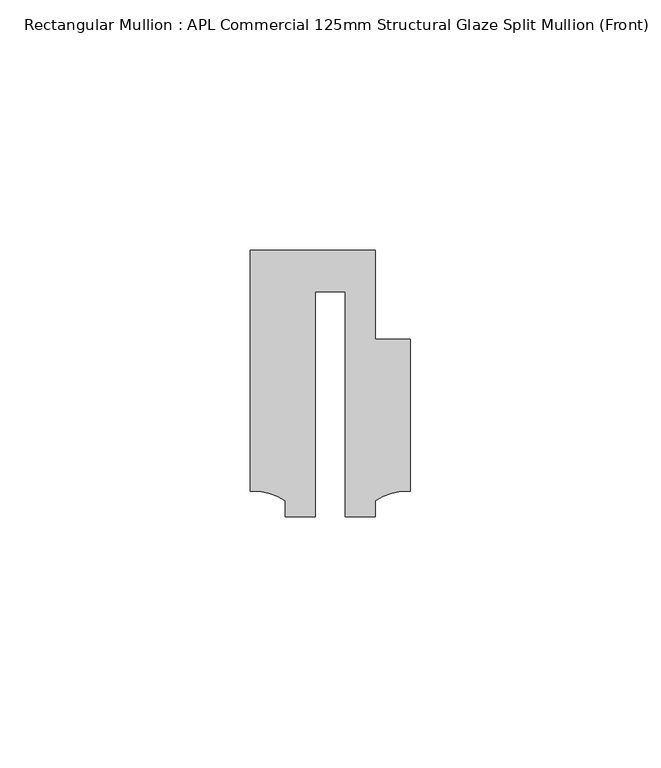
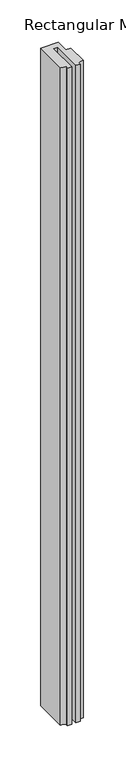
"""IFC4 building model written with IfcOpenShell, lengths in millimetres: member geometry, Rectangular Mullion : APL Commercial 125mm Structural Glaze Split Mullion (Front)."""

from ifc_helpers import new_model, si_unit, point, frame, frame_2d, origin, place, context, project, spatial, polyline, circle_curve, trimmed, segment, composite_curve, outline, extrude, source, transform, mapped, element, save


def rectangular_mullion_apl_commercial_125mm_structural_glaze_ea7d0cef(model_context):
    return source(origin(), model_context, "Body", "SweptSolid", [
        extrude(outline(composite_curve([segment(polyline([(15.9999391, 14.9953356), (15.9999391, -15.3837352)]), True, "CONTINUOUS"), segment(trimmed(circle_curve(frame_2d((15.1098019, -25.802169)), 10.4563907), [point((15.9999391, -15.3837352))], [point((8.9999842, -17.3165203))], True, "CARTESIAN"), True, "CONTINUOUS"), segment(polyline([(8.9999842, -17.3165203), (8.9999842, -20.5039877), (2.9999676, -20.5039877), (2.9999676, 24.5130805), (-2.9999659, 24.5130805), (-2.9999659, -20.5039877), (-8.9999842, -20.5039877), (-8.9999842, -17.3165203)]), True, "CONTINUOUS"), segment(trimmed(circle_curve(frame_2d((-15.1098019, -25.802169)), 10.4563907), [point((-8.9999842, -17.3165203))], [point((-15.9999391, -15.3837352))], True, "CARTESIAN"), True, "CONTINUOUS"), segment(polyline([(-15.9999391, -15.3837352), (-15.9999391, 32.7960123), (9.0, 32.7960123), (9.0, 14.9953356), (15.9999391, 14.9953356)]), True, "CONTINUOUS")], self_intersect=False)), frame((0.0, 0.0, -983.6595328), z_axis=(0.0, 0.0, 1.0), x_axis=(1.0, 0.0, 0.0)), (0.0, 0.0, 1.0), 983.6595328),
    ])


if __name__ == "__main__":
    model = new_model("IFC4")
    model_context = context("Model", 3, world=origin())
    ifc_project = project(units=[si_unit("LENGTHUNIT", "METRE", prefix="MILLI")], contexts=[model_context])
    site = spatial("IfcSite", under=ifc_project)
    building = spatial("IfcBuilding", under=site)
    placement = place(None, origin())
    rectangular_mullion_apl_commercial_125mm_structural_glaze_shape = rectangular_mullion_apl_commercial_125mm_structural_glaze_ea7d0cef(model_context)
    element("IfcMember", 1, ObjectType="Rectangular Mullion : APL Commercial 125mm Structural Glaze Split Mullion (Front)", at=placement, inside=building, context=model_context, shape_type="MappedRepresentation", body=[
        mapped(rectangular_mullion_apl_commercial_125mm_structural_glaze_shape, transform((0.0, 0.0, 0.0), x_axis=(1.0, 0.0, 0.0), y_axis=(0.0, 1.0, 0.0), z_axis=(0.0, 0.0, 1.0))),
    ])
    save(model, "model.ifc")
